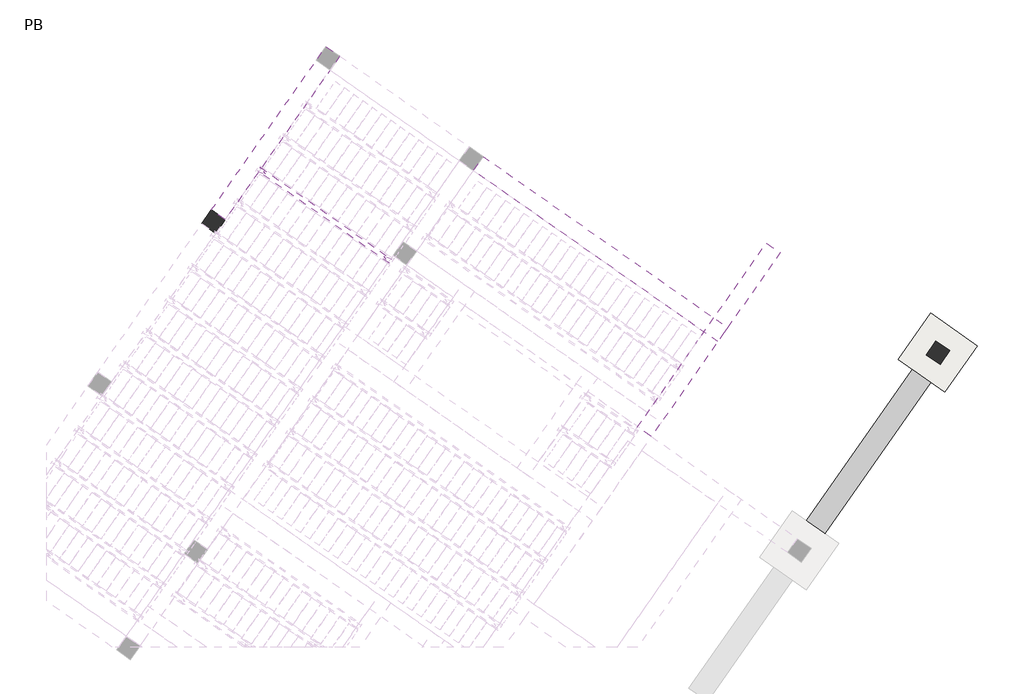
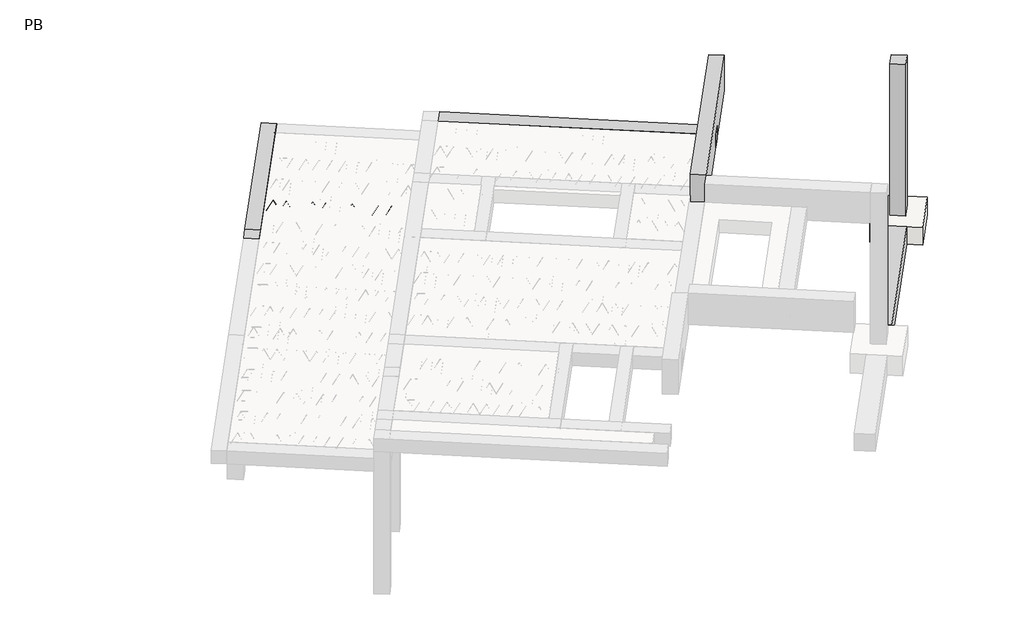
# One storey, part 48 of 56: 6 beams, 2 columns, 1 footing.
"""IFC4 building model written with IfcOpenShell, lengths in millimetres."""

from ifc_helpers import new_model, si_unit, point, frame, origin, origin_2d, place, context, project, spatial, polyline, circle_curve, trimmed, segment, composite_curve, outline, extrude, element, save

model = new_model("IFC4")

# Units and contexts
model_context = context("Model", 3, world=origin())
ifc_project = project(units=[si_unit("LENGTHUNIT", "METRE", prefix="MILLI")], contexts=[model_context])

# Site, building, storey
site = spatial("IfcSite", under=ifc_project)
building = spatial("IfcBuilding", under=site)
storey = spatial("IfcBuildingStorey", under=building, Name="PB", Elevation=95940.0)

# Beams
placement = place(None, origin())
element("IfcBeam", 1, at=placement, inside=storey, context=model_context, shape_type="SweptSolid", body=[
    extrude(outline(polyline([(13236.6700581, 2578.324568), (12909.0092404, 2807.7551426), (14778.8684229, 5478.1908069), (15106.5292407, 5248.7602323), (13236.6700581, 2578.324568)])), frame((0.0, 0.0, 96120.0), z_axis=(0.0, 0.0, 1.0), x_axis=(1.0, 0.0, 0.0)), (0.0, 0.0, 1.0), 400.0),
])
element("IfcBeam", 2, at=placement, inside=storey, context=model_context, shape_type="SweptSolid", body=[
    extrude(outline(polyline([(3202.1787768, 8977.0732578), (3271.0079492, 9075.3715031), (5633.7631265, 7420.9525169), (5564.9339541, 7322.6542715), (3202.1787768, 8977.0732578)])), frame((0.0, 0.0, 98760.0), z_axis=(0.0, 0.0, 1.0), x_axis=(1.0, 0.0, 0.0)), (0.0, 0.0, 1.0), 50.0),
])
element("IfcBeam", 3, at=placement, inside=storey, context=model_context, shape_type="SweptSolid", body=[
    extrude(outline(composite_curve([segment(trimmed(circle_curve(origin_2d(), 2.5), [point((-2.5, 0.0))], [point((2.5, 0.0))], False, "CARTESIAN"), True, "CONTINUOUS"), segment(trimmed(circle_curve(origin_2d(), 2.5), [point((2.5, 0.0))], [point((-2.5, 0.0))], False, "CARTESIAN"), True, "CONTINUOUS")], self_intersect=False)), frame((5559.0401395, 7356.0797551, 98785.0), z_axis=(-0.8191520442696126, 0.5735764363787226, 0.0), x_axis=(0.5735764363787226, 0.8191520442696126, 0.0)), (0.0, 0.0, 1.0), 2836.39148),
    extrude(outline(composite_curve([segment(trimmed(circle_curve(origin_2d(), 2.5), [point((-2.5, 0.0))], [point((2.4999999, 0.0))], False, "CARTESIAN"), True, "CONTINUOUS"), segment(trimmed(circle_curve(origin_2d(), 2.5), [point((2.4999999, 0.0))], [point((-2.5, 0.0))], False, "CARTESIAN"), True, "CONTINUOUS")], self_intersect=False)), frame((5482.8686094, 7453.3635199, 99010.0), z_axis=(-0.8191520442696126, 0.5735764363787226, 0.0), x_axis=(0.5735764363787226, 0.8191520442696126, 0.0)), (0.0, 0.0, 1.0), 2600.0),
    extrude(outline(composite_curve([segment(trimmed(circle_curve(origin_2d(), 2.5), [point((-2.5, 0.0))], [point((2.5, 0.0))], False, "CARTESIAN"), True, "CONTINUOUS"), segment(trimmed(circle_curve(origin_2d(), 2.5), [point((2.5, 0.0))], [point((-2.5, 0.0))], False, "CARTESIAN"), True, "CONTINUOUS")], self_intersect=False)), frame((5523.656261, 7380.8558136, 98785.0), z_axis=(-0.3145304735701046, 0.38933448886848654, 0.8657304643902053), x_axis=(0.7778747638402499, 0.6284193279813057, 0.0)), (0.0, 0.0, 1.0), 259.8961331),
    extrude(outline(composite_curve([segment(trimmed(circle_curve(origin_2d(), 2.5), [point((2.5, 0.0))], [point((-2.5, 0.0))], False, "CARTESIAN"), True, "CONTINUOUS"), segment(trimmed(circle_curve(origin_2d(), 2.5), [point((-2.5, 0.0))], [point((2.5, 0.0))], False, "CARTESIAN"), True, "CONTINUOUS")], self_intersect=False)), frame((5318.8682499, 7524.2499227, 98785.0), z_axis=(0.47343050384693375, -0.16240172737369005, 0.8657304643902051), x_axis=(-0.3244721671091268, -0.9458952440791246, 0.0)), (0.0, 0.0, 1.0), 259.8961331),
    extrude(outline(composite_curve([segment(trimmed(circle_curve(origin_2d(), 2.5), [point((-2.5, 0.0))], [point((2.5, 0.0))], False, "CARTESIAN"), True, "CONTINUOUS"), segment(trimmed(circle_curve(origin_2d(), 2.5), [point((2.5, 0.0))], [point((-2.5, 0.0))], False, "CARTESIAN"), True, "CONTINUOUS")], self_intersect=False)), frame((5318.8682499, 7524.2499227, 98785.0), z_axis=(-0.3145304735701046, 0.38933448886848654, 0.8657304643902053), x_axis=(0.7778747638402499, 0.6284193279813057, 0.0)), (0.0, 0.0, 1.0), 259.8961331),
    extrude(outline(composite_curve([segment(trimmed(circle_curve(origin_2d(), 2.5), [point((2.5, 0.0))], [point((-2.5, 1e-07))], False, "CARTESIAN"), True, "CONTINUOUS"), segment(trimmed(circle_curve(origin_2d(), 2.5), [point((-2.5, 1e-07))], [point((2.5, 0.0))], False, "CARTESIAN"), True, "CONTINUOUS")], self_intersect=False)), frame((5114.0802388, 7667.6440318, 98785.0), z_axis=(0.47343050384693375, -0.16240172737369005, 0.8657304643902051), x_axis=(-0.3244721671091268, -0.9458952440791246, 0.0)), (0.0, 0.0, 1.0), 259.8961331),
    extrude(outline(composite_curve([segment(trimmed(circle_curve(origin_2d(), 2.5), [point((-2.5, 0.0))], [point((2.5, 0.0))], False, "CARTESIAN"), True, "CONTINUOUS"), segment(trimmed(circle_curve(origin_2d(), 2.5), [point((2.5, 0.0))], [point((-2.5, 0.0))], False, "CARTESIAN"), True, "CONTINUOUS")], self_intersect=False)), frame((5114.0802388, 7667.6440318, 98785.0), z_axis=(-0.3145304735701046, 0.38933448886848654, 0.8657304643902053), x_axis=(0.7778747638402499, 0.6284193279813057, 0.0)), (0.0, 0.0, 1.0), 259.8961331),
    extrude(outline(composite_curve([segment(trimmed(circle_curve(origin_2d(), 2.5), [point((2.5, 0.0))], [point((-2.5, 0.0))], False, "CARTESIAN"), True, "CONTINUOUS"), segment(trimmed(circle_curve(origin_2d(), 2.5), [point((-2.5, 0.0))], [point((2.5, 0.0))], False, "CARTESIAN"), True, "CONTINUOUS")], self_intersect=False)), frame((4909.2922278, 7811.0381409, 98785.0), z_axis=(0.47343050384693375, -0.16240172737369005, 0.8657304643902051), x_axis=(-0.3244721671091268, -0.9458952440791246, 0.0)), (0.0, 0.0, 1.0), 259.8961331),
    extrude(outline(composite_curve([segment(trimmed(circle_curve(origin_2d(), 2.5), [point((-2.5, -1e-07))], [point((2.5, 0.0))], False, "CARTESIAN"), True, "CONTINUOUS"), segment(trimmed(circle_curve(origin_2d(), 2.5), [point((2.5, 0.0))], [point((-2.5, -1e-07))], False, "CARTESIAN"), True, "CONTINUOUS")], self_intersect=False)), frame((4909.2922278, 7811.0381409, 98785.0), z_axis=(-0.3145304735701046, 0.38933448886848654, 0.8657304643902053), x_axis=(0.7778747638402499, 0.6284193279813057, 0.0)), (0.0, 0.0, 1.0), 259.8961331),
    extrude(outline(composite_curve([segment(trimmed(circle_curve(origin_2d(), 2.5), [point((2.5, 0.0))], [point((-2.5, 0.0))], False, "CARTESIAN"), True, "CONTINUOUS"), segment(trimmed(circle_curve(origin_2d(), 2.5), [point((-2.5, 0.0))], [point((2.5, 0.0))], False, "CARTESIAN"), True, "CONTINUOUS")], self_intersect=False)), frame((4704.5042167, 7954.43225, 98785.0), z_axis=(0.47343050384693375, -0.16240172737369005, 0.8657304643902051), x_axis=(-0.3244721671091268, -0.9458952440791246, 0.0)), (0.0, 0.0, 1.0), 259.8961331),
    extrude(outline(composite_curve([segment(trimmed(circle_curve(origin_2d(), 2.5), [point((-2.5, 0.0))], [point((2.5, 0.0))], False, "CARTESIAN"), True, "CONTINUOUS"), segment(trimmed(circle_curve(origin_2d(), 2.5), [point((2.5, 0.0))], [point((-2.5, 0.0))], False, "CARTESIAN"), True, "CONTINUOUS")], self_intersect=False)), frame((4704.5042165, 7954.4322501, 98785.0), z_axis=(-0.3145304735701046, 0.38933448886848654, 0.8657304643902053), x_axis=(0.7778747638402499, 0.6284193279813057, 0.0)), (0.0, 0.0, 1.0), 259.8961331),
    extrude(outline(composite_curve([segment(trimmed(circle_curve(origin_2d(), 2.5), [point((2.5, 0.0))], [point((-2.5, 0.0))], False, "CARTESIAN"), True, "CONTINUOUS"), segment(trimmed(circle_curve(origin_2d(), 2.5), [point((-2.5, 0.0))], [point((2.5, 0.0))], False, "CARTESIAN"), True, "CONTINUOUS")], self_intersect=False)), frame((4499.7162055, 8097.8263592, 98785.0), z_axis=(0.47343050384693375, -0.16240172737369005, 0.8657304643902051), x_axis=(-0.3244721671091268, -0.9458952440791246, 0.0)), (0.0, 0.0, 1.0), 259.8961331),
    extrude(outline(composite_curve([segment(trimmed(circle_curve(origin_2d(), 2.5), [point((-2.5, 0.0))], [point((2.5, 0.0))], False, "CARTESIAN"), True, "CONTINUOUS"), segment(trimmed(circle_curve(origin_2d(), 2.5), [point((2.5, 0.0))], [point((-2.5, 0.0))], False, "CARTESIAN"), True, "CONTINUOUS")], self_intersect=False)), frame((4499.7162055, 8097.8263592, 98785.0), z_axis=(-0.3145304735701046, 0.38933448886848654, 0.8657304643902053), x_axis=(0.7778747638402499, 0.6284193279813057, 0.0)), (0.0, 0.0, 1.0), 259.8961331),
    extrude(outline(composite_curve([segment(trimmed(circle_curve(origin_2d(), 2.5), [point((2.5, 0.0))], [point((-2.5, 0.0))], False, "CARTESIAN"), True, "CONTINUOUS"), segment(trimmed(circle_curve(origin_2d(), 2.5), [point((-2.5, 0.0))], [point((2.5, 0.0))], False, "CARTESIAN"), True, "CONTINUOUS")], self_intersect=False)), frame((4294.9281944, 8241.2204683, 98785.0), z_axis=(0.47343050384693375, -0.16240172737369005, 0.8657304643902051), x_axis=(-0.3244721671091268, -0.9458952440791246, 0.0)), (0.0, 0.0, 1.0), 259.8961331),
    extrude(outline(composite_curve([segment(trimmed(circle_curve(origin_2d(), 2.5), [point((-2.5, -1e-07))], [point((2.5, 0.0))], False, "CARTESIAN"), True, "CONTINUOUS"), segment(trimmed(circle_curve(origin_2d(), 2.5), [point((2.5, 0.0))], [point((-2.5, -1e-07))], False, "CARTESIAN"), True, "CONTINUOUS")], self_intersect=False)), frame((4294.9281944, 8241.2204683, 98785.0), z_axis=(-0.3145304735701046, 0.38933448886848654, 0.8657304643902053), x_axis=(0.7778747638402499, 0.6284193279813057, 0.0)), (0.0, 0.0, 1.0), 259.8961331),
    extrude(outline(composite_curve([segment(trimmed(circle_curve(origin_2d(), 2.5), [point((2.5000001, 0.0))], [point((-2.5, 1e-07))], False, "CARTESIAN"), True, "CONTINUOUS"), segment(trimmed(circle_curve(origin_2d(), 2.5), [point((-2.5, 1e-07))], [point((2.5000001, 0.0))], False, "CARTESIAN"), True, "CONTINUOUS")], self_intersect=False)), frame((4090.1401833, 8384.6145774, 98785.0), z_axis=(0.47343050384693375, -0.16240172737369005, 0.8657304643902051), x_axis=(-0.3244721671091268, -0.9458952440791246, 0.0)), (0.0, 0.0, 1.0), 259.8961331),
    extrude(outline(composite_curve([segment(trimmed(circle_curve(origin_2d(), 2.5), [point((-2.5, -1e-07))], [point((2.5, 0.0))], False, "CARTESIAN"), True, "CONTINUOUS"), segment(trimmed(circle_curve(origin_2d(), 2.5), [point((2.5, 0.0))], [point((-2.5, -1e-07))], False, "CARTESIAN"), True, "CONTINUOUS")], self_intersect=False)), frame((4090.1401833, 8384.6145774, 98785.0), z_axis=(-0.3145304735701046, 0.38933448886848654, 0.8657304643902053), x_axis=(0.7778747638402499, 0.6284193279813057, 0.0)), (0.0, 0.0, 1.0), 259.8961331),
    extrude(outline(composite_curve([segment(trimmed(circle_curve(origin_2d(), 2.5), [point((2.5000001, 0.0))], [point((-2.5, 0.0))], False, "CARTESIAN"), True, "CONTINUOUS"), segment(trimmed(circle_curve(origin_2d(), 2.5), [point((-2.5, 0.0))], [point((2.5000001, 0.0))], False, "CARTESIAN"), True, "CONTINUOUS")], self_intersect=False)), frame((3885.3521723, 8528.0086865, 98785.0), z_axis=(0.47343050384693375, -0.16240172737369005, 0.8657304643902051), x_axis=(-0.3244721671091268, -0.9458952440791246, 0.0)), (0.0, 0.0, 1.0), 259.8961331),
    extrude(outline(composite_curve([segment(trimmed(circle_curve(origin_2d(), 2.5), [point((-2.5, -1e-07))], [point((2.5, 0.0))], False, "CARTESIAN"), True, "CONTINUOUS"), segment(trimmed(circle_curve(origin_2d(), 2.5), [point((2.5, 0.0))], [point((-2.5, -1e-07))], False, "CARTESIAN"), True, "CONTINUOUS")], self_intersect=False)), frame((3885.3521723, 8528.0086865, 98785.0), z_axis=(-0.3145304735701046, 0.38933448886848654, 0.8657304643902053), x_axis=(0.7778747638402499, 0.6284193279813057, 0.0)), (0.0, 0.0, 1.0), 259.8961331),
    extrude(outline(composite_curve([segment(trimmed(circle_curve(origin_2d(), 2.5), [point((2.5, 0.0))], [point((-2.5000001, 0.0))], False, "CARTESIAN"), True, "CONTINUOUS"), segment(trimmed(circle_curve(origin_2d(), 2.5), [point((-2.5000001, 0.0))], [point((2.5, 0.0))], False, "CARTESIAN"), True, "CONTINUOUS")], self_intersect=False)), frame((3680.5641612, 8671.4027955, 98785.0), z_axis=(0.47343050384693375, -0.16240172737369005, 0.8657304643902051), x_axis=(-0.3244721671091268, -0.9458952440791246, 0.0)), (0.0, 0.0, 1.0), 259.8961331),
    extrude(outline(composite_curve([segment(trimmed(circle_curve(origin_2d(), 2.5), [point((-2.5, 0.0))], [point((2.5, 1e-07))], False, "CARTESIAN"), True, "CONTINUOUS"), segment(trimmed(circle_curve(origin_2d(), 2.5), [point((2.5, 1e-07))], [point((-2.5, 0.0))], False, "CARTESIAN"), True, "CONTINUOUS")], self_intersect=False)), frame((3680.5641612, 8671.4027955, 98785.0), z_axis=(-0.3145304735701046, 0.38933448886848654, 0.8657304643902053), x_axis=(0.7778747638402499, 0.6284193279813057, 0.0)), (0.0, 0.0, 1.0), 259.8961331),
    extrude(outline(composite_curve([segment(trimmed(circle_curve(origin_2d(), 2.5), [point((2.5, 0.0))], [point((-2.5000001, 0.0))], False, "CARTESIAN"), True, "CONTINUOUS"), segment(trimmed(circle_curve(origin_2d(), 2.5), [point((-2.5000001, 0.0))], [point((2.5, 0.0))], False, "CARTESIAN"), True, "CONTINUOUS")], self_intersect=False)), frame((3475.7761501, 8814.7969046, 98785.0), z_axis=(0.47343050384693375, -0.16240172737369005, 0.8657304643902051), x_axis=(-0.3244721671091268, -0.9458952440791246, 0.0)), (0.0, 0.0, 1.0), 259.8961331),
    extrude(outline(composite_curve([segment(trimmed(circle_curve(origin_2d(), 2.5), [point((-2.5, 0.0))], [point((2.5, 1e-07))], False, "CARTESIAN"), True, "CONTINUOUS"), segment(trimmed(circle_curve(origin_2d(), 2.5), [point((2.5, 1e-07))], [point((-2.5, 0.0))], False, "CARTESIAN"), True, "CONTINUOUS")], self_intersect=False)), frame((3475.7761501, 8814.7969046, 98785.0), z_axis=(-0.3145304735701046, 0.38933448886848654, 0.8657304643902053), x_axis=(0.7778747638402499, 0.6284193279813057, 0.0)), (0.0, 0.0, 1.0), 259.8961331),
    extrude(outline(composite_curve([segment(trimmed(circle_curve(origin_2d(), 2.5), [point((2.5, -1e-07))], [point((-2.5, 0.0))], False, "CARTESIAN"), True, "CONTINUOUS"), segment(trimmed(circle_curve(origin_2d(), 2.5), [point((-2.5, 0.0))], [point((2.5, -1e-07))], False, "CARTESIAN"), True, "CONTINUOUS")], self_intersect=False)), frame((3270.9881391, 8958.1910137, 98785.0), z_axis=(0.47343050384693375, -0.16240172737369005, 0.8657304643902051), x_axis=(-0.3244721671091268, -0.9458952440791246, 0.0)), (0.0, 0.0, 1.0), 259.8961331),
    extrude(outline(composite_curve([segment(trimmed(circle_curve(origin_2d(), 2.5), [point((-2.4999999, 0.0))], [point((2.5, 0.0))], False, "CARTESIAN"), True, "CONTINUOUS"), segment(trimmed(circle_curve(origin_2d(), 2.5), [point((2.5, 0.0))], [point((-2.4999999, 0.0))], False, "CARTESIAN"), True, "CONTINUOUS")], self_intersect=False)), frame((5600.3376429, 7415.0587023, 98785.0), z_axis=(-0.8191520442696126, 0.5735764363787226, 0.0), x_axis=(0.5735764363787226, 0.8191520442696126, 0.0)), (0.0, 0.0, 1.0), 2836.39148),
    extrude(outline(composite_curve([segment(trimmed(circle_curve(origin_2d(), 2.5), [point((-2.5, 0.0))], [point((2.5, 0.0))], False, "CARTESIAN"), True, "CONTINUOUS"), segment(trimmed(circle_curve(origin_2d(), 2.5), [point((2.5, 0.0))], [point((-2.5, 0.0))], False, "CARTESIAN"), True, "CONTINUOUS")], self_intersect=False)), frame((5564.9537644, 7439.8347608, 98785.0), z_axis=(-0.47343050384693375, 0.16240172737369005, 0.8657304643902051), x_axis=(0.3244721671091268, 0.9458952440791246, 0.0)), (0.0, 0.0, 1.0), 259.8961331),
    extrude(outline(composite_curve([segment(trimmed(circle_curve(origin_2d(), 2.5), [point((2.5, 1e-07))], [point((-2.5, 0.0))], False, "CARTESIAN"), True, "CONTINUOUS"), segment(trimmed(circle_curve(origin_2d(), 2.5), [point((-2.5, 0.0))], [point((2.5, 1e-07))], False, "CARTESIAN"), True, "CONTINUOUS")], self_intersect=False)), frame((5360.1657533, 7583.2288699, 98785.0), z_axis=(0.3145304735701046, -0.38933448886848654, 0.8657304643902053), x_axis=(-0.7778747638402499, -0.6284193279813057, 0.0)), (0.0, 0.0, 1.0), 259.8961331),
    extrude(outline(composite_curve([segment(trimmed(circle_curve(origin_2d(), 2.5), [point((-2.5, 0.0))], [point((2.5, 0.0))], False, "CARTESIAN"), True, "CONTINUOUS"), segment(trimmed(circle_curve(origin_2d(), 2.5), [point((2.5, 0.0))], [point((-2.5, 0.0))], False, "CARTESIAN"), True, "CONTINUOUS")], self_intersect=False)), frame((5360.1657533, 7583.2288699, 98785.0), z_axis=(-0.47343050384693375, 0.16240172737369005, 0.8657304643902051), x_axis=(0.3244721671091268, 0.9458952440791246, 0.0)), (0.0, 0.0, 1.0), 259.8961331),
    extrude(outline(composite_curve([segment(trimmed(circle_curve(origin_2d(), 2.5), [point((2.5000001, 0.0))], [point((-2.5, 0.0))], False, "CARTESIAN"), True, "CONTINUOUS"), segment(trimmed(circle_curve(origin_2d(), 2.5), [point((-2.5, 0.0))], [point((2.5000001, 0.0))], False, "CARTESIAN"), True, "CONTINUOUS")], self_intersect=False)), frame((5155.3777423, 7726.622979, 98785.0), z_axis=(0.3145304735701046, -0.38933448886848654, 0.8657304643902053), x_axis=(-0.7778747638402499, -0.6284193279813057, 0.0)), (0.0, 0.0, 1.0), 259.8961331),
    extrude(outline(composite_curve([segment(trimmed(circle_curve(origin_2d(), 2.5), [point((-2.5000001, 0.0))], [point((2.5, 0.0))], False, "CARTESIAN"), True, "CONTINUOUS"), segment(trimmed(circle_curve(origin_2d(), 2.5), [point((2.5, 0.0))], [point((-2.5000001, 0.0))], False, "CARTESIAN"), True, "CONTINUOUS")], self_intersect=False)), frame((5155.3777423, 7726.622979, 98785.0), z_axis=(-0.47343050384693375, 0.16240172737369005, 0.8657304643902051), x_axis=(0.3244721671091268, 0.9458952440791246, 0.0)), (0.0, 0.0, 1.0), 259.8961331),
    extrude(outline(composite_curve([segment(trimmed(circle_curve(origin_2d(), 2.5), [point((2.5, 1e-07))], [point((-2.5, 0.0))], False, "CARTESIAN"), True, "CONTINUOUS"), segment(trimmed(circle_curve(origin_2d(), 2.5), [point((-2.5, 0.0))], [point((2.5, 1e-07))], False, "CARTESIAN"), True, "CONTINUOUS")], self_intersect=False)), frame((4950.5897312, 7870.0170881, 98785.0), z_axis=(0.3145304735701046, -0.38933448886848654, 0.8657304643902053), x_axis=(-0.7778747638402499, -0.6284193279813057, 0.0)), (0.0, 0.0, 1.0), 259.8961331),
    extrude(outline(composite_curve([segment(trimmed(circle_curve(origin_2d(), 2.5), [point((-2.5000001, 0.0))], [point((2.5, 0.0))], False, "CARTESIAN"), True, "CONTINUOUS"), segment(trimmed(circle_curve(origin_2d(), 2.5), [point((2.5, 0.0))], [point((-2.5000001, 0.0))], False, "CARTESIAN"), True, "CONTINUOUS")], self_intersect=False)), frame((4950.5897312, 7870.0170881, 98785.0), z_axis=(-0.47343050384693375, 0.16240172737369005, 0.8657304643902051), x_axis=(0.3244721671091268, 0.9458952440791246, 0.0)), (0.0, 0.0, 1.0), 259.8961331),
    extrude(outline(composite_curve([segment(trimmed(circle_curve(origin_2d(), 2.5), [point((2.5, 0.0))], [point((-2.5, -1e-07))], False, "CARTESIAN"), True, "CONTINUOUS"), segment(trimmed(circle_curve(origin_2d(), 2.5), [point((-2.5, -1e-07))], [point((2.5, 0.0))], False, "CARTESIAN"), True, "CONTINUOUS")], self_intersect=False)), frame((4745.8017201, 8013.4111971, 98785.0), z_axis=(0.3145304735701046, -0.38933448886848654, 0.8657304643902053), x_axis=(-0.7778747638402499, -0.6284193279813057, 0.0)), (0.0, 0.0, 1.0), 259.8961331),
    extrude(outline(composite_curve([segment(trimmed(circle_curve(origin_2d(), 2.5), [point((-2.5, 1e-07))], [point((2.5, 0.0))], False, "CARTESIAN"), True, "CONTINUOUS"), segment(trimmed(circle_curve(origin_2d(), 2.5), [point((2.5, 0.0))], [point((-2.5, 1e-07))], False, "CARTESIAN"), True, "CONTINUOUS")], self_intersect=False)), frame((4745.80172, 8013.4111973, 98785.0), z_axis=(-0.47343050384693375, 0.16240172737369005, 0.8657304643902051), x_axis=(0.3244721671091268, 0.9458952440791246, 0.0)), (0.0, 0.0, 1.0), 259.8961331),
    extrude(outline(composite_curve([segment(trimmed(circle_curve(origin_2d(), 2.5), [point((2.5, 1e-07))], [point((-2.5, 0.0))], False, "CARTESIAN"), True, "CONTINUOUS"), segment(trimmed(circle_curve(origin_2d(), 2.5), [point((-2.5, 0.0))], [point((2.5, 1e-07))], False, "CARTESIAN"), True, "CONTINUOUS")], self_intersect=False)), frame((4541.0137089, 8156.8053064, 98785.0), z_axis=(0.3145304735701046, -0.38933448886848654, 0.8657304643902053), x_axis=(-0.7778747638402499, -0.6284193279813057, 0.0)), (0.0, 0.0, 1.0), 259.8961331),
    extrude(outline(composite_curve([segment(trimmed(circle_curve(origin_2d(), 2.5), [point((-2.5000001, 0.0))], [point((2.5, 0.0))], False, "CARTESIAN"), True, "CONTINUOUS"), segment(trimmed(circle_curve(origin_2d(), 2.5), [point((2.5, 0.0))], [point((-2.5000001, 0.0))], False, "CARTESIAN"), True, "CONTINUOUS")], self_intersect=False)), frame((4541.0137089, 8156.8053064, 98785.0), z_axis=(-0.47343050384693375, 0.16240172737369005, 0.8657304643902051), x_axis=(0.3244721671091268, 0.9458952440791246, 0.0)), (0.0, 0.0, 1.0), 259.8961331),
    extrude(outline(composite_curve([segment(trimmed(circle_curve(origin_2d(), 2.5), [point((2.5, 1e-07))], [point((-2.5, 0.0))], False, "CARTESIAN"), True, "CONTINUOUS"), segment(trimmed(circle_curve(origin_2d(), 2.5), [point((-2.5, 0.0))], [point((2.5, 1e-07))], False, "CARTESIAN"), True, "CONTINUOUS")], self_intersect=False)), frame((4336.2256978, 8300.1994155, 98785.0), z_axis=(0.3145304735701046, -0.38933448886848654, 0.8657304643902053), x_axis=(-0.7778747638402499, -0.6284193279813057, 0.0)), (0.0, 0.0, 1.0), 259.8961331),
    extrude(outline(composite_curve([segment(trimmed(circle_curve(origin_2d(), 2.5), [point((-2.5000001, 0.0))], [point((2.5, 0.0))], False, "CARTESIAN"), True, "CONTINUOUS"), segment(trimmed(circle_curve(origin_2d(), 2.5), [point((2.5, 0.0))], [point((-2.5000001, 0.0))], False, "CARTESIAN"), True, "CONTINUOUS")], self_intersect=False)), frame((4336.2256978, 8300.1994155, 98785.0), z_axis=(-0.47343050384693375, 0.16240172737369005, 0.8657304643902051), x_axis=(0.3244721671091268, 0.9458952440791246, 0.0)), (0.0, 0.0, 1.0), 259.8961331),
    extrude(outline(composite_curve([segment(trimmed(circle_curve(origin_2d(), 2.5), [point((2.5000001, -1e-07))], [point((-2.5, -1e-07))], False, "CARTESIAN"), True, "CONTINUOUS"), segment(trimmed(circle_curve(origin_2d(), 2.5), [point((-2.5, -1e-07))], [point((2.5000001, -1e-07))], False, "CARTESIAN"), True, "CONTINUOUS")], self_intersect=False)), frame((4131.4376868, 8443.5935245, 98785.0), z_axis=(0.3145304735701046, -0.38933448886848654, 0.8657304643902053), x_axis=(-0.7778747638402499, -0.6284193279813057, 0.0)), (0.0, 0.0, 1.0), 259.8961331),
    extrude(outline(composite_curve([segment(trimmed(circle_curve(origin_2d(), 2.5), [point((-2.5, 1e-07))], [point((2.5000001, 0.0))], False, "CARTESIAN"), True, "CONTINUOUS"), segment(trimmed(circle_curve(origin_2d(), 2.5), [point((2.5000001, 0.0))], [point((-2.5, 1e-07))], False, "CARTESIAN"), True, "CONTINUOUS")], self_intersect=False)), frame((4131.4376868, 8443.5935245, 98785.0), z_axis=(-0.47343050384693375, 0.16240172737369005, 0.8657304643902051), x_axis=(0.3244721671091268, 0.9458952440791246, 0.0)), (0.0, 0.0, 1.0), 259.8961331),
    extrude(outline(composite_curve([segment(trimmed(circle_curve(origin_2d(), 2.5), [point((2.5, 0.0))], [point((-2.5, -1e-07))], False, "CARTESIAN"), True, "CONTINUOUS"), segment(trimmed(circle_curve(origin_2d(), 2.5), [point((-2.5, -1e-07))], [point((2.5, 0.0))], False, "CARTESIAN"), True, "CONTINUOUS")], self_intersect=False)), frame((3926.6496757, 8586.9876336, 98785.0), z_axis=(0.3145304735701046, -0.38933448886848654, 0.8657304643902053), x_axis=(-0.7778747638402499, -0.6284193279813057, 0.0)), (0.0, 0.0, 1.0), 259.8961331),
    extrude(outline(composite_curve([segment(trimmed(circle_curve(origin_2d(), 2.5), [point((-2.5, 0.0))], [point((2.5000001, 0.0))], False, "CARTESIAN"), True, "CONTINUOUS"), segment(trimmed(circle_curve(origin_2d(), 2.5), [point((2.5000001, 0.0))], [point((-2.5, 0.0))], False, "CARTESIAN"), True, "CONTINUOUS")], self_intersect=False)), frame((3926.6496757, 8586.9876336, 98785.0), z_axis=(-0.47343050384693375, 0.16240172737369005, 0.8657304643902051), x_axis=(0.3244721671091268, 0.9458952440791246, 0.0)), (0.0, 0.0, 1.0), 259.8961331),
    extrude(outline(composite_curve([segment(trimmed(circle_curve(origin_2d(), 2.5), [point((2.5, 0.0))], [point((-2.5, -1e-07))], False, "CARTESIAN"), True, "CONTINUOUS"), segment(trimmed(circle_curve(origin_2d(), 2.5), [point((-2.5, -1e-07))], [point((2.5, 0.0))], False, "CARTESIAN"), True, "CONTINUOUS")], self_intersect=False)), frame((3721.8616646, 8730.3817427, 98785.0), z_axis=(0.3145304735701046, -0.38933448886848654, 0.8657304643902053), x_axis=(-0.7778747638402499, -0.6284193279813057, 0.0)), (0.0, 0.0, 1.0), 259.8961331),
    extrude(outline(composite_curve([segment(trimmed(circle_curve(origin_2d(), 2.5), [point((-2.5, 0.0))], [point((2.5, 0.0))], False, "CARTESIAN"), True, "CONTINUOUS"), segment(trimmed(circle_curve(origin_2d(), 2.5), [point((2.5, 0.0))], [point((-2.5, 0.0))], False, "CARTESIAN"), True, "CONTINUOUS")], self_intersect=False)), frame((3721.8616646, 8730.3817427, 98785.0), z_axis=(-0.47343050384693375, 0.16240172737369005, 0.8657304643902051), x_axis=(0.3244721671091268, 0.9458952440791246, 0.0)), (0.0, 0.0, 1.0), 259.8961331),
    extrude(outline(composite_curve([segment(trimmed(circle_curve(origin_2d(), 2.5), [point((2.5000001, -1e-07))], [point((-2.5, 0.0))], False, "CARTESIAN"), True, "CONTINUOUS"), segment(trimmed(circle_curve(origin_2d(), 2.5), [point((-2.5, 0.0))], [point((2.5000001, -1e-07))], False, "CARTESIAN"), True, "CONTINUOUS")], self_intersect=False)), frame((3517.0736536, 8873.7758518, 98785.0), z_axis=(0.3145304735701046, -0.38933448886848654, 0.8657304643902053), x_axis=(-0.7778747638402499, -0.6284193279813057, 0.0)), (0.0, 0.0, 1.0), 259.8961331),
    extrude(outline(composite_curve([segment(trimmed(circle_curve(origin_2d(), 2.5), [point((-2.5, 1e-07))], [point((2.5, 0.0))], False, "CARTESIAN"), True, "CONTINUOUS"), segment(trimmed(circle_curve(origin_2d(), 2.5), [point((2.5, 0.0))], [point((-2.5, 1e-07))], False, "CARTESIAN"), True, "CONTINUOUS")], self_intersect=False)), frame((3517.0736536, 8873.7758518, 98785.0), z_axis=(-0.47343050384693375, 0.16240172737369005, 0.8657304643902051), x_axis=(0.3244721671091268, 0.9458952440791246, 0.0)), (0.0, 0.0, 1.0), 259.8961331),
    extrude(outline(composite_curve([segment(trimmed(circle_curve(origin_2d(), 2.5), [point((2.5, 0.0))], [point((-2.5, 0.0))], False, "CARTESIAN"), True, "CONTINUOUS"), segment(trimmed(circle_curve(origin_2d(), 2.5), [point((-2.5, 0.0))], [point((2.5, 0.0))], False, "CARTESIAN"), True, "CONTINUOUS")], self_intersect=False)), frame((3312.2856425, 9017.1699609, 98785.0), z_axis=(0.3145304735701046, -0.38933448886848654, 0.8657304643902053), x_axis=(-0.7778747638402499, -0.6284193279813057, 0.0)), (0.0, 0.0, 1.0), 259.8961331),
])
element("IfcBeam", 4, at=placement, inside=storey, context=model_context, shape_type="SweptSolid", body=[
    extrude(outline(polyline([(10177.0776692, 4293.4031166), (9931.3320559, 4465.4760475), (12202.694744, 7709.3181428), (12448.4403573, 7537.2452119), (10177.0776692, 4293.4031166)])), frame((0.0, 0.0, 99220.0), z_axis=(0.0, 0.0, 1.0), x_axis=(1.0, 0.0, 0.0)), (0.0, 0.0, 1.0), 800.0),
])
element("IfcBeam", 5, at=placement, inside=storey, context=model_context, shape_type="SweptSolid", body=[
    extrude(outline(polyline([(11522.1144108, 6214.314658), (11350.0414799, 5968.5690447), (7036.7521254, 8988.7667654), (7208.8250563, 9234.5123787), (11522.1144108, 6214.314658)])), frame((0.0, 0.0, 99220.0), z_axis=(0.0, 0.0, 1.0), x_axis=(1.0, 0.0, 0.0)), (0.0, 0.0, 1.0), 300.0),
])
element("IfcBeam", 6, at=placement, inside=storey, context=model_context, shape_type="SweptSolid", body=[
    extrude(outline(polyline([(2665.5605135, 8123.3155485), (2419.8149002, 8295.3884794), (4436.5949092, 11175.6488291), (4682.3405225, 11003.5758982), (2665.5605135, 8123.3155485)])), frame((0.0, 0.0, 98760.0), z_axis=(0.0, 0.0, 1.0), x_axis=(1.0, 0.0, 0.0)), (0.0, 0.0, 1.0), 300.0),
])

# Columns
element("IfcColumn", 7, ObjectType="DirectShapeType 3937", at=placement, inside=storey, context=model_context, shape_type="SweptSolid", body=[
    extrude(outline(polyline([(15438.3963221, 5809.8878829), (15266.3233912, 5564.1422696), (15020.5777779, 5736.2152006), (15192.6507088, 5981.9608138), (15438.3963221, 5809.8878829)])), frame((0.0, 0.0, 96520.0), z_axis=(0.0, 0.0, 1.0), x_axis=(1.0, 0.0, 0.0)), (0.0, 0.0, 1.0), 3500.0),
])
element("IfcColumn", 8, ObjectType="DirectShapeType 3937", at=placement, inside=storey, context=model_context, shape_type="SweptSolid", body=[
    extrude(outline(polyline([(2665.4127162, 8123.4190422), (2493.3397853, 7877.6734289), (2247.594172, 8049.7463598), (2419.6671029, 8295.4919731), (2665.4127162, 8123.4190422)])), frame((0.0, 0.0, 95940.0), z_axis=(0.0, 0.0, 1.0), x_axis=(1.0, 0.0, 0.0)), (0.0, 0.0, 1.0), 3120.0),
])

# Footing
element("IfcFooting", 9, at=placement, inside=storey, context=model_context, shape_type="SweptSolid", body=[
    extrude(outline(polyline([(15925.8512903, 5895.8393457), (15352.2748539, 5076.6873014), (14533.1228097, 5650.2637378), (15106.699246, 6469.4157821), (15925.8512903, 5895.8393457)])), frame((0.0, 0.0, 96120.0), z_axis=(0.0, 0.0, 1.0), x_axis=(1.0, 0.0, 0.0)), (0.0, 0.0, 1.0), 400.0),
])

save(model, "model.ifc")
